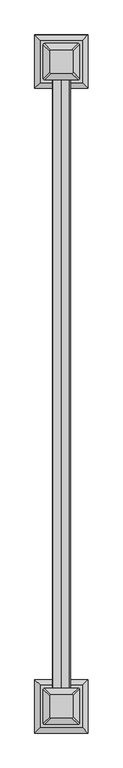
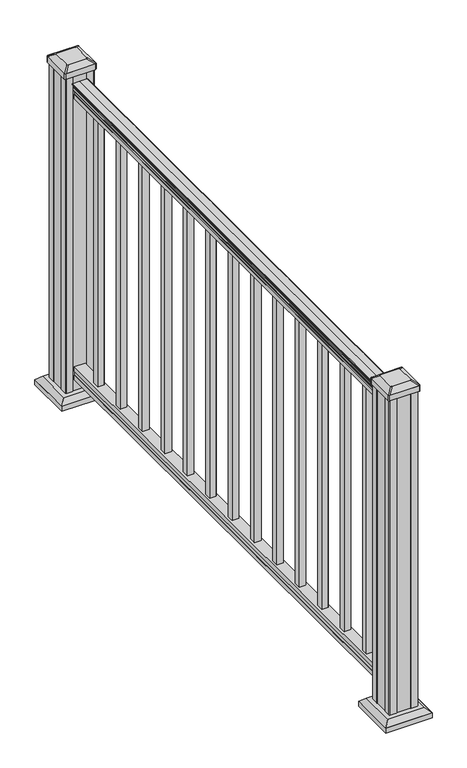
"""IFC4 building model written with IfcOpenShell, lengths in millimetres: railing geometry."""

from ifc_helpers import new_model, si_unit, point, frame, frame_2d, origin, origin_with_axes, place, context, project, spatial, polyline, circle_curve, trimmed, segment, composite_curve, outline, extrude, faceted_brep, source, transform, mapped, element, save
from ifc_brep_helpers import plane_surface, extruded_surface, advanced_brep


def railing_86240491(model_context):
    return source(origin(), model_context, "Body", "SolidModel", [
        extrude(outline(composite_curve([segment(trimmed(circle_curve(frame_2d((938.4043297, -875.5572176)), 1.2869144), [point((938.4043297, -876.8441319))], [point((938.4043297, -874.2703032))], False, "CARTESIAN"), True, "CONTINUOUS"), segment(polyline([(938.4043297, -874.2703032), (927.747013, -874.2703032), (926.731013, -875.2863032), (914.4, -875.2863032), (914.4, -843.5363032), (926.8888283, -843.5363032), (927.9048283, -844.5523032), (938.4043297, -844.5523032)]), True, "CONTINUOUS"), segment(trimmed(circle_curve(frame_2d((938.4043297, -843.2653888)), 1.2869144), [point((938.4043297, -844.5523032))], [point((938.4043297, -841.9784745))], False, "CARTESIAN"), True, "CONTINUOUS"), segment(polyline([(938.4043297, -841.9784745), (940.292412, -841.9784745)]), True, "CONTINUOUS"), segment(trimmed(circle_curve(frame_2d((946.0506383, -848.2932277)), 8.545951), [point((940.292412, -841.9784745))], [point((941.8546695, -840.8482882))], False, "CARTESIAN"), True, "CONTINUOUS"), segment(trimmed(circle_curve(frame_2d((945.4636577, -847.8561648)), 7.882584), [point((941.8546695, -840.8482882))], [point((949.0726458, -840.8482882))], False, "CARTESIAN"), True, "CONTINUOUS"), segment(trimmed(circle_curve(frame_2d((951.3112527, -837.3428406)), 4.1592695), [point((949.0726458, -840.8482882))], [point((951.5060812, -841.4975446))], True, "CARTESIAN"), True, "CONTINUOUS"), segment(trimmed(circle_curve(frame_2d((951.2508864, -836.0555341)), 5.4479907), [point((951.5060812, -841.4975446))], [point((955.8362083, -838.9975446))], True, "CARTESIAN"), True, "CONTINUOUS"), segment(trimmed(circle_curve(frame_2d((955.833395, -837.2886925)), 1.7088543), [point((955.8362083, -838.9975446))], [point((957.5157972, -837.5882021))], True, "CARTESIAN"), True, "CONTINUOUS"), segment(trimmed(circle_curve(frame_2d((958.6205318, -838.9055926)), 1.7192895), [point((957.5157972, -837.5882021))], [point((958.6205318, -837.1863031))], False, "CARTESIAN"), True, "CONTINUOUS"), segment(polyline([(958.6205318, -837.1863031), (959.9608158, -837.1863032)]), True, "CONTINUOUS"), segment(trimmed(circle_curve(frame_2d((959.9608158, -838.7397504)), 1.5534472), [point((959.9608158, -837.1863032))], [point((961.514263, -838.7397504))], False, "CARTESIAN"), True, "CONTINUOUS"), segment(polyline([(961.514263, -838.7397504), (961.514263, -859.4113032), (961.514263, -880.082856)]), True, "CONTINUOUS"), segment(trimmed(circle_curve(frame_2d((959.9608158, -880.082856)), 1.5534472), [point((961.514263, -880.082856))], [point((959.9608158, -881.6363032))], False, "CARTESIAN"), True, "CONTINUOUS"), segment(polyline([(959.9608158, -881.6363032), (958.6205318, -881.6363032)]), True, "CONTINUOUS"), segment(trimmed(circle_curve(frame_2d((958.6205318, -879.9170138)), 1.7192895), [point((958.6205318, -881.6363032))], [point((957.5157972, -881.2344043))], False, "CARTESIAN"), True, "CONTINUOUS"), segment(trimmed(circle_curve(frame_2d((955.833395, -881.5339139)), 1.7088543), [point((957.5157972, -881.2344043))], [point((955.8362083, -879.8250618))], True, "CARTESIAN"), True, "CONTINUOUS"), segment(trimmed(circle_curve(frame_2d((951.2508864, -882.7670723)), 5.4479907), [point((955.8362083, -879.8250618))], [point((951.5060812, -877.3250618))], True, "CARTESIAN"), True, "CONTINUOUS"), segment(trimmed(circle_curve(frame_2d((951.3112527, -881.4797657)), 4.1592695), [point((951.5060812, -877.3250618))], [point((949.0726458, -877.9743182))], True, "CARTESIAN"), True, "CONTINUOUS"), segment(trimmed(circle_curve(frame_2d((945.4636577, -870.9664416)), 7.882584), [point((949.0726458, -877.9743182))], [point((941.8546695, -877.9743182))], False, "CARTESIAN"), True, "CONTINUOUS"), segment(trimmed(circle_curve(frame_2d((946.0506383, -870.5293786)), 8.545951), [point((941.8546695, -877.9743182))], [point((940.292412, -876.8441319))], False, "CARTESIAN"), True, "CONTINUOUS"), segment(polyline([(940.292412, -876.8441319), (938.4043297, -876.8441319)]), True, "CONTINUOUS")], self_intersect=False)), frame((0.0, 2449.1647067, 0.0), z_axis=(0.0, 1.0, 0.0), x_axis=(0.0, 0.0, 1.0)), (0.0, 0.0, 1.0), 1524.0),
        extrude(outline(polyline([(76.0541976, -875.3237901), (63.5, -875.3237901), (63.5, -843.5737901), (76.0375508, -843.5737901), (77.3858283, -844.5897901), (87.6975248, -844.5897901), (89.0458024, -843.5737901), (101.5958781, -843.5737901), (101.5958781, -875.3237901), (89.0624492, -875.3237901), (87.7141717, -874.3077901), (77.3546183, -874.3077901), (76.0541976, -875.3237901)])), frame((0.0, 2449.1647067, 0.0), z_axis=(0.0, 1.0, 0.0), x_axis=(0.0, 0.0, 1.0)), (0.0, 0.0, 1.0), 1524.0),
        extrude(outline(polyline([(-868.9363032, 3868.5881442), (-868.9363032, 3887.6381442), (-849.8863032, 3887.6381442), (-849.8863032, 3868.5881442), (-868.9363032, 3868.5881442)]), holes=[polyline([(-868.5394282, 3868.9850192), (-850.2831782, 3868.9850192), (-850.2831782, 3887.2412692), (-868.5394282, 3887.2412692), (-868.5394282, 3868.9850192)])]), frame((0.0, 0.0, 101.5958781), z_axis=(0.0, 0.0, 1.0), x_axis=(1.0, 0.0, 0.0)), (0.0, 0.0, 1.0), 812.8041219),
        extrude(outline(polyline([(-868.9363032, 3757.4631442), (-868.9363032, 3776.5131442), (-849.8863032, 3776.5131442), (-849.8863032, 3757.4631442), (-868.9363032, 3757.4631442)]), holes=[polyline([(-868.5394282, 3757.8600192), (-850.2831782, 3757.8600192), (-850.2831782, 3776.1162692), (-868.5394282, 3776.1162692), (-868.5394282, 3757.8600192)])]), frame((0.0, 0.0, 101.5958781), z_axis=(0.0, 0.0, 1.0), x_axis=(1.0, 0.0, 0.0)), (0.0, 0.0, 1.0), 812.8041219),
        extrude(outline(polyline([(-868.9363032, 3646.3381442), (-868.9363032, 3665.3881442), (-849.8863032, 3665.3881442), (-849.8863032, 3646.3381442), (-868.9363032, 3646.3381442)]), holes=[polyline([(-868.5394282, 3646.7350192), (-850.2831782, 3646.7350192), (-850.2831782, 3664.9912692), (-868.5394282, 3664.9912692), (-868.5394282, 3646.7350192)])]), frame((0.0, 0.0, 101.5958781), z_axis=(0.0, 0.0, 1.0), x_axis=(1.0, 0.0, 0.0)), (0.0, 0.0, 1.0), 812.8041219),
        extrude(outline(polyline([(-868.9363032, 3535.2131442), (-868.9363032, 3554.2631442), (-849.8863032, 3554.2631442), (-849.8863032, 3535.2131442), (-868.9363032, 3535.2131442)]), holes=[polyline([(-868.5394282, 3535.6100192), (-850.2831782, 3535.6100192), (-850.2831782, 3553.8662692), (-868.5394282, 3553.8662692), (-868.5394282, 3535.6100192)])]), frame((0.0, 0.0, 101.5958781), z_axis=(0.0, 0.0, 1.0), x_axis=(1.0, 0.0, 0.0)), (0.0, 0.0, 1.0), 812.8041219),
        extrude(outline(polyline([(-868.9363032, 3424.0881442), (-868.9363032, 3443.1381442), (-849.8863032, 3443.1381442), (-849.8863032, 3424.0881442), (-868.9363032, 3424.0881442)]), holes=[polyline([(-868.5394282, 3424.4850192), (-850.2831782, 3424.4850192), (-850.2831782, 3442.7412692), (-868.5394282, 3442.7412692), (-868.5394282, 3424.4850192)])]), frame((0.0, 0.0, 101.5958781), z_axis=(0.0, 0.0, 1.0), x_axis=(1.0, 0.0, 0.0)), (0.0, 0.0, 1.0), 812.8041219),
        extrude(outline(polyline([(-868.9363032, 3312.9631442), (-868.9363032, 3332.0131442), (-849.8863032, 3332.0131442), (-849.8863032, 3312.9631442), (-868.9363032, 3312.9631442)]), holes=[polyline([(-868.5394282, 3313.3600192), (-850.2831782, 3313.3600192), (-850.2831782, 3331.6162692), (-868.5394282, 3331.6162692), (-868.5394282, 3313.3600192)])]), frame((0.0, 0.0, 101.5958781), z_axis=(0.0, 0.0, 1.0), x_axis=(1.0, 0.0, 0.0)), (0.0, 0.0, 1.0), 812.8041219),
        extrude(outline(polyline([(-868.9363032, 3201.8381442), (-868.9363032, 3220.8881442), (-849.8863032, 3220.8881442), (-849.8863032, 3201.8381442), (-868.9363032, 3201.8381442)]), holes=[polyline([(-868.5394282, 3202.2350192), (-850.2831782, 3202.2350192), (-850.2831782, 3220.4912692), (-868.5394282, 3220.4912692), (-868.5394282, 3202.2350192)])]), frame((0.0, 0.0, 101.5958781), z_axis=(0.0, 0.0, 1.0), x_axis=(1.0, 0.0, 0.0)), (0.0, 0.0, 1.0), 812.8041219),
        extrude(outline(polyline([(-868.9363032, 3090.7131442), (-868.9363032, 3109.7631442), (-849.8863032, 3109.7631442), (-849.8863032, 3090.7131442), (-868.9363032, 3090.7131442)]), holes=[polyline([(-868.5394282, 3091.1100192), (-850.2831782, 3091.1100192), (-850.2831782, 3109.3662692), (-868.5394282, 3109.3662692), (-868.5394282, 3091.1100192)])]), frame((0.0, 0.0, 101.5958781), z_axis=(0.0, 0.0, 1.0), x_axis=(1.0, 0.0, 0.0)), (0.0, 0.0, 1.0), 812.8041219),
        extrude(outline(polyline([(-868.9363032, 2979.5881442), (-868.9363032, 2998.6381442), (-849.8863032, 2998.6381442), (-849.8863032, 2979.5881442), (-868.9363032, 2979.5881442)]), holes=[polyline([(-868.5394282, 2979.9850192), (-850.2831782, 2979.9850192), (-850.2831782, 2998.2412692), (-868.5394282, 2998.2412692), (-868.5394282, 2979.9850192)])]), frame((0.0, 0.0, 101.5958781), z_axis=(0.0, 0.0, 1.0), x_axis=(1.0, 0.0, 0.0)), (0.0, 0.0, 1.0), 812.8041219),
        extrude(outline(polyline([(-868.9363032, 2868.4631442), (-868.9363032, 2887.5131442), (-849.8863032, 2887.5131442), (-849.8863032, 2868.4631442), (-868.9363032, 2868.4631442)]), holes=[polyline([(-868.5394282, 2868.8600192), (-850.2831782, 2868.8600192), (-850.2831782, 2887.1162692), (-868.5394282, 2887.1162692), (-868.5394282, 2868.8600192)])]), frame((0.0, 0.0, 101.5958781), z_axis=(0.0, 0.0, 1.0), x_axis=(1.0, 0.0, 0.0)), (0.0, 0.0, 1.0), 812.8041219),
        extrude(outline(polyline([(-868.9363032, 2757.3381442), (-868.9363032, 2776.3881442), (-849.8863032, 2776.3881442), (-849.8863032, 2757.3381442), (-868.9363032, 2757.3381442)]), holes=[polyline([(-868.5394282, 2757.7350192), (-850.2831782, 2757.7350192), (-850.2831782, 2775.9912692), (-868.5394282, 2775.9912692), (-868.5394282, 2757.7350192)])]), frame((0.0, 0.0, 101.5958781), z_axis=(0.0, 0.0, 1.0), x_axis=(1.0, 0.0, 0.0)), (0.0, 0.0, 1.0), 812.8041219),
        extrude(outline(polyline([(-868.9363032, 2646.2131442), (-868.9363032, 2665.2631442), (-849.8863032, 2665.2631442), (-849.8863032, 2646.2131442), (-868.9363032, 2646.2131442)]), holes=[polyline([(-868.5394282, 2646.6100192), (-850.2831782, 2646.6100192), (-850.2831782, 2664.8662692), (-868.5394282, 2664.8662692), (-868.5394282, 2646.6100192)])]), frame((0.0, 0.0, 101.5958781), z_axis=(0.0, 0.0, 1.0), x_axis=(1.0, 0.0, 0.0)), (0.0, 0.0, 1.0), 812.8041219),
        extrude(outline(polyline([(-868.9363032, 2535.0881442), (-868.9363032, 2554.1381442), (-849.8863032, 2554.1381442), (-849.8863032, 2535.0881442), (-868.9363032, 2535.0881442)]), holes=[polyline([(-868.5394282, 2535.4850192), (-850.2831782, 2535.4850192), (-850.2831782, 2553.7412692), (-868.5394282, 2553.7412692), (-868.5394282, 2535.4850192)])]), frame((0.0, 0.0, 101.5958781), z_axis=(0.0, 0.0, 1.0), x_axis=(1.0, 0.0, 0.0)), (0.0, 0.0, 1.0), 812.8041219),
        faceted_brep([(-911.9972407, 3961.8537692, 28.575), (-806.8253657, 3961.8537692, 28.575), (-806.8253657, 4067.0256442, 28.575), (-911.9972407, 4067.0256442, 28.575), (-926.0366938, 3947.8143161, 15.24), (-926.0366938, 4081.0650974, 15.24), (-792.7859126, 4081.0650974, 15.24), (-792.7859126, 3947.8143161, 15.24)], [[[0, 1, 2, 3]], [[4, 5, 6, 7]], [[4, 7, 1, 0]], [[7, 6, 2, 1]], [[6, 5, 3, 2]], [[5, 4, 0, 3]]]),
        extrude(outline(polyline([(-926.0366938, 3947.8143161), (-926.0366938, 4081.0650974), (-792.7859126, 4081.0650974), (-792.7859126, 3947.8143161), (-926.0366938, 3947.8143161)])), origin_with_axes(), (0.0, 0.0, 1.0), 15.24),
        advanced_brep(
        [(-833.6144282, 3985.4678317, 1012.825), (-830.4394282, 3988.6428317, 1012.825), (-830.4394282, 4040.2365817, 1012.825), (-833.6144282, 4043.4115817, 1012.825), (-885.2081782, 4043.4115817, 1012.825), (-888.3831782, 4040.2365817, 1012.825), (-888.3831782, 3988.6428317, 1012.825), (-885.2081782, 3985.4678317, 1012.825), (-817.3425532, 3969.1959567, 1001.522), (-901.4800532, 3969.1959567, 1001.522), (-904.6550532, 3972.3709567, 1001.522), (-904.6550532, 4056.5084567, 1001.522), (-901.4800532, 4059.6834567, 1001.522), (-817.3425532, 4059.6834567, 1001.522), (-814.1675532, 4056.5084567, 1001.522), (-814.1675532, 3972.3709567, 1001.522)],
        [
            (0, 1, circle_curve(frame((-833.6144282, 3988.6428317, 1012.825), z_axis=(0.0, 0.0, 1.0), x_axis=(0.0, 1.0, 0.0)), 3.175)),
            (1, 2),
            (2, 3, circle_curve(frame((-833.6144282, 4040.2365817, 1012.825), z_axis=(0.0, 0.0, 1.0), x_axis=(0.0, 1.0, 0.0)), 3.175)),
            (3, 4),
            (4, 5, circle_curve(frame((-885.2081782, 4040.2365817, 1012.825), z_axis=(0.0, 0.0, 1.0), x_axis=(0.0, 1.0, 0.0)), 3.175)),
            (5, 6),
            (6, 7, circle_curve(frame((-885.2081782, 3988.6428317, 1012.825), z_axis=(0.0, 0.0, 1.0), x_axis=(0.0, 1.0, 0.0)), 3.175)),
            (7, 0),
            (8, 9),
            (9, 10, circle_curve(frame((-901.4800532, 3972.3709567, 1001.522), z_axis=(0.0, 0.0, -1.0), x_axis=(0.0, 1.0, 0.0)), 3.175)),
            (10, 11),
            (11, 12, circle_curve(frame((-901.4800532, 4056.5084567, 1001.522), z_axis=(0.0, 0.0, -1.0), x_axis=(0.0, 1.0, 0.0)), 3.175)),
            (12, 13),
            (13, 14, circle_curve(frame((-817.3425532, 4056.5084567, 1001.522), z_axis=(0.0, 0.0, -1.0), x_axis=(0.0, 1.0, 0.0)), 3.175)),
            (14, 15),
            (15, 8, circle_curve(frame((-817.3425532, 3972.3709567, 1001.522), z_axis=(0.0, 0.0, -1.0), x_axis=(0.0, 1.0, 0.0)), 3.175)),
            (15, 1),
            (0, 8),
            (14, 2),
            (13, 3),
            (12, 4),
            (11, 5),
            (10, 6),
            (9, 7),
        ],
        [
            plane_surface(frame((-859.4113032, 4014.4397067, 1012.825), z_axis=(0.0, 0.0, 1.0), x_axis=(1.0, 0.0, 0.0))),
            plane_surface(frame((-859.4113032, 4014.4397067, 1001.522), z_axis=(0.0, 0.0, -1.0), x_axis=(1.0, 0.0, 0.0))),
            extruded_surface(trimmed(circle_curve(frame((-817.3425532, 3972.3709567, 1001.522), z_axis=(0.0, 0.0, 1.0), x_axis=(0.0, 1.0, 0.0)), 3.175), [point((-817.3425532, 3969.1959567, 1001.522))], [point((-814.1675532, 3972.3709567, 1001.522))], True, "CARTESIAN"), (-16.271875000000023, 16.27187499999991, 11.302999999999997), 25.637972638866117),
            plane_surface(frame((-814.1675532, 4014.4397067, 1001.522), z_axis=(0.5705009161540779, 0.0, 0.8212969649690408), x_axis=(0.0, 1.0, 0.0))),
            extruded_surface(trimmed(circle_curve(frame((-817.3425532, 4056.5084567, 1001.522), z_axis=(0.0, 0.0, 1.0), x_axis=(0.0, 1.0, 0.0)), 3.175), [point((-814.1675532, 4056.5084567, 1001.522))], [point((-817.3425532, 4059.6834567, 1001.522))], True, "CARTESIAN"), (-16.271875000000023, -16.27187499999991, 11.302999999999997), 25.637972638866117),
            plane_surface(frame((-859.4113032, 4059.6834567, 1001.522), z_axis=(0.0, 0.5705009161540291, 0.8212969649690747), x_axis=(-1.0, 0.0, 0.0))),
            extruded_surface(trimmed(circle_curve(frame((-901.4800532, 4056.5084567, 1001.522), z_axis=(0.0, 0.0, 1.0), x_axis=(0.0, 1.0, 0.0)), 3.175), [point((-901.4800532, 4059.6834567, 1001.522))], [point((-904.6550532, 4056.5084567, 1001.522))], True, "CARTESIAN"), (16.271875000000023, -16.27187499999991, 11.302999999999997), 25.637972638866117),
            plane_surface(frame((-904.6550532, 4014.4397067, 1001.522), z_axis=(-0.5705009161540141, 0.0, 0.8212969649690851), x_axis=(0.0, -1.0, 0.0))),
            extruded_surface(trimmed(circle_curve(frame((-901.4800532, 3972.3709567, 1001.522), z_axis=(0.0, 0.0, 1.0), x_axis=(0.0, 1.0, 0.0)), 3.175), [point((-904.6550532, 3972.3709567, 1001.522))], [point((-901.4800532, 3969.1959567, 1001.522))], True, "CARTESIAN"), (16.271875000000023, 16.27187499999991, 11.302999999999997), 25.637972638866117),
            plane_surface(frame((-859.4113032, 3969.1959567, 1001.522), z_axis=(0.0, -0.570500916154034, 0.8212969649690713), x_axis=(1.0, 0.0, 0.0))),
        ],
        [
            (0, [[1, 2, 3, 4, 5, 6, 7, 8]]),
            (1, [[9, 10, 11, 12, 13, 14, 15, 16]]),
            (2, [[-16, 17, -1, 18]]),
            (3, [[-15, 19, -2, -17]]),
            (4, [[-14, 20, -3, -19]]),
            (5, [[-13, 21, -4, -20]]),
            (6, [[-12, 22, -5, -21]]),
            (7, [[-11, 23, -6, -22]]),
            (8, [[-10, 24, -7, -23]]),
            (9, [[-9, -18, -8, -24]]),
        ],
    ),
        extrude(outline(composite_curve([segment(polyline([(-817.3425532, 3969.1959567), (-901.4800532, 3969.1959567)]), True, "CONTINUOUS"), segment(trimmed(circle_curve(frame_2d((-901.4800532, 3972.3709567)), 3.175), [point((-901.4800532, 3969.1959567))], [point((-904.6550532, 3972.3709567))], False, "CARTESIAN"), True, "CONTINUOUS"), segment(polyline([(-904.6550532, 3972.3709567), (-904.6550532, 4056.5084567)]), True, "CONTINUOUS"), segment(trimmed(circle_curve(frame_2d((-901.4800532, 4056.5084567)), 3.175), [point((-904.6550532, 4056.5084567))], [point((-901.4800532, 4059.6834567))], False, "CARTESIAN"), True, "CONTINUOUS"), segment(polyline([(-901.4800532, 4059.6834567), (-817.3425532, 4059.6834567)]), True, "CONTINUOUS"), segment(trimmed(circle_curve(frame_2d((-817.3425532, 4056.5084567)), 3.175), [point((-817.3425532, 4059.6834567))], [point((-814.1675532, 4056.5084567))], False, "CARTESIAN"), True, "CONTINUOUS"), segment(polyline([(-814.1675532, 4056.5084567), (-814.1675532, 3972.3709567)]), True, "CONTINUOUS"), segment(trimmed(circle_curve(frame_2d((-817.3425532, 3972.3709567)), 3.175), [point((-814.1675532, 3972.3709567))], [point((-817.3425532, 3969.1959567))], False, "CARTESIAN"), True, "CONTINUOUS")], self_intersect=False)), frame((0.0, 0.0, 984.25), z_axis=(0.0, 0.0, 1.0), x_axis=(1.0, 0.0, 0.0)), (0.0, 0.0, 1.0), 17.272),
        extrude(outline(polyline([(-819.7238032, 3973.1647067), (-839.3453032, 3973.1647067), (-840.1073032, 3974.7522067), (-878.7153032, 3974.7522067), (-879.4773032, 3973.1647067), (-899.0988032, 3973.1647067), (-900.6863032, 3974.7522067), (-900.6863032, 3994.3737067), (-899.0988032, 3995.1357067), (-899.0988032, 4033.7437067), (-900.6863032, 4034.5057067), (-900.6863032, 4054.1272067), (-899.0988032, 4055.7147067), (-879.4773032, 4055.7147067), (-878.7153032, 4054.1272067), (-840.1073032, 4054.1272067), (-839.3453032, 4055.7147067), (-819.7238032, 4055.7147067), (-818.1363032, 4054.1272067), (-818.1363032, 4034.5057067), (-819.7238032, 4033.7437067), (-819.7238032, 3995.1357067), (-818.1363032, 3994.3737067), (-818.1363032, 3974.7522067), (-819.7238032, 3973.1647067)])), origin_with_axes(), (0.0, 0.0, 1.0), 984.25),
        faceted_brep([(-911.9972407, 2355.3037692, 28.575), (-806.8253657, 2355.3037692, 28.575), (-806.8253657, 2460.4756442, 28.575), (-911.9972407, 2460.4756442, 28.575), (-926.0366938, 2341.2643161, 15.24), (-926.0366938, 2474.5150974, 15.24), (-792.7859126, 2474.5150974, 15.24), (-792.7859126, 2341.2643161, 15.24)], [[[0, 1, 2, 3]], [[4, 5, 6, 7]], [[4, 7, 1, 0]], [[7, 6, 2, 1]], [[6, 5, 3, 2]], [[5, 4, 0, 3]]]),
        extrude(outline(polyline([(-926.0366938, 2341.2643161), (-926.0366938, 2474.5150974), (-792.7859126, 2474.5150974), (-792.7859126, 2341.2643161), (-926.0366938, 2341.2643161)])), origin_with_axes(), (0.0, 0.0, 1.0), 15.24),
        advanced_brep(
        [(-833.6144282, 2378.9178317, 1012.825), (-830.4394282, 2382.0928317, 1012.825), (-830.4394282, 2433.6865817, 1012.825), (-833.6144282, 2436.8615817, 1012.825), (-885.2081782, 2436.8615817, 1012.825), (-888.3831782, 2433.6865817, 1012.825), (-888.3831782, 2382.0928317, 1012.825), (-885.2081782, 2378.9178317, 1012.825), (-817.3425532, 2362.6459567, 1001.522), (-901.4800532, 2362.6459567, 1001.522), (-904.6550532, 2365.8209567, 1001.522), (-904.6550532, 2449.9584567, 1001.522), (-901.4800532, 2453.1334567, 1001.522), (-817.3425532, 2453.1334567, 1001.522), (-814.1675532, 2449.9584567, 1001.522), (-814.1675532, 2365.8209567, 1001.522)],
        [
            (0, 1, circle_curve(frame((-833.6144282, 2382.0928317, 1012.825), z_axis=(0.0, 0.0, 1.0), x_axis=(0.0, 1.0, 0.0)), 3.175)),
            (1, 2),
            (2, 3, circle_curve(frame((-833.6144282, 2433.6865817, 1012.825), z_axis=(0.0, 0.0, 1.0), x_axis=(0.0, 1.0, 0.0)), 3.175)),
            (3, 4),
            (4, 5, circle_curve(frame((-885.2081782, 2433.6865817, 1012.825), z_axis=(0.0, 0.0, 1.0), x_axis=(0.0, 1.0, 0.0)), 3.175)),
            (5, 6),
            (6, 7, circle_curve(frame((-885.2081782, 2382.0928317, 1012.825), z_axis=(0.0, 0.0, 1.0), x_axis=(0.0, 1.0, 0.0)), 3.175)),
            (7, 0),
            (8, 9),
            (9, 10, circle_curve(frame((-901.4800532, 2365.8209567, 1001.522), z_axis=(0.0, 0.0, -1.0), x_axis=(0.0, 1.0, 0.0)), 3.175)),
            (10, 11),
            (11, 12, circle_curve(frame((-901.4800532, 2449.9584567, 1001.522), z_axis=(0.0, 0.0, -1.0), x_axis=(0.0, 1.0, 0.0)), 3.175)),
            (12, 13),
            (13, 14, circle_curve(frame((-817.3425532, 2449.9584567, 1001.522), z_axis=(0.0, 0.0, -1.0), x_axis=(0.0, 1.0, 0.0)), 3.175)),
            (14, 15),
            (15, 8, circle_curve(frame((-817.3425532, 2365.8209567, 1001.522), z_axis=(0.0, 0.0, -1.0), x_axis=(0.0, 1.0, 0.0)), 3.175)),
            (15, 1),
            (0, 8),
            (14, 2),
            (13, 3),
            (12, 4),
            (11, 5),
            (10, 6),
            (9, 7),
        ],
        [
            plane_surface(frame((-859.4113032, 2407.8897067, 1012.825), z_axis=(0.0, 0.0, 1.0), x_axis=(1.0, 0.0, 0.0))),
            plane_surface(frame((-859.4113032, 2407.8897067, 1001.522), z_axis=(0.0, 0.0, -1.0), x_axis=(1.0, 0.0, 0.0))),
            extruded_surface(trimmed(circle_curve(frame((-817.3425532, 2365.8209567, 1001.522), z_axis=(0.0, 0.0, 1.0), x_axis=(0.0, 1.0, 0.0)), 3.175), [point((-817.3425532, 2362.6459567, 1001.522))], [point((-814.1675532, 2365.8209567, 1001.522))], True, "CARTESIAN"), (-16.271875000000023, 16.27187499999991, 11.302999999999997), 25.637972638866117),
            plane_surface(frame((-814.1675532, 2407.8897067, 1001.522), z_axis=(0.5705009161540779, 0.0, 0.8212969649690408), x_axis=(0.0, 1.0, 0.0))),
            extruded_surface(trimmed(circle_curve(frame((-817.3425532, 2449.9584567, 1001.522), z_axis=(0.0, 0.0, 1.0), x_axis=(0.0, 1.0, 0.0)), 3.175), [point((-814.1675532, 2449.9584567, 1001.522))], [point((-817.3425532, 2453.1334567, 1001.522))], True, "CARTESIAN"), (-16.271875000000023, -16.271875000000364, 11.302999999999997), 25.637972638866405),
            plane_surface(frame((-859.4113032, 2453.1334567, 1001.522), z_axis=(0.0, 0.5705009161540291, 0.8212969649690747), x_axis=(-1.0, 0.0, 0.0))),
            extruded_surface(trimmed(circle_curve(frame((-901.4800532, 2449.9584567, 1001.522), z_axis=(0.0, 0.0, 1.0), x_axis=(0.0, 1.0, 0.0)), 3.175), [point((-901.4800532, 2453.1334567, 1001.522))], [point((-904.6550532, 2449.9584567, 1001.522))], True, "CARTESIAN"), (16.271875000000023, -16.271875000000364, 11.302999999999997), 25.637972638866405),
            plane_surface(frame((-904.6550532, 2407.8897067, 1001.522), z_axis=(-0.5705009161540141, 0.0, 0.8212969649690851), x_axis=(0.0, -1.0, 0.0))),
            extruded_surface(trimmed(circle_curve(frame((-901.4800532, 2365.8209567, 1001.522), z_axis=(0.0, 0.0, 1.0), x_axis=(0.0, 1.0, 0.0)), 3.175), [point((-904.6550532, 2365.8209567, 1001.522))], [point((-901.4800532, 2362.6459567, 1001.522))], True, "CARTESIAN"), (16.271875000000023, 16.27187499999991, 11.302999999999997), 25.637972638866117),
            plane_surface(frame((-859.4113032, 2362.6459567, 1001.522), z_axis=(0.0, -0.570500916154034, 0.8212969649690713), x_axis=(1.0, 0.0, 0.0))),
        ],
        [
            (0, [[1, 2, 3, 4, 5, 6, 7, 8]]),
            (1, [[9, 10, 11, 12, 13, 14, 15, 16]]),
            (2, [[-16, 17, -1, 18]]),
            (3, [[-15, 19, -2, -17]]),
            (4, [[-14, 20, -3, -19]]),
            (5, [[-13, 21, -4, -20]]),
            (6, [[-12, 22, -5, -21]]),
            (7, [[-11, 23, -6, -22]]),
            (8, [[-10, 24, -7, -23]]),
            (9, [[-9, -18, -8, -24]]),
        ],
    ),
        extrude(outline(composite_curve([segment(polyline([(-817.3425532, 2362.6459567), (-901.4800532, 2362.6459567)]), True, "CONTINUOUS"), segment(trimmed(circle_curve(frame_2d((-901.4800532, 2365.8209567)), 3.175), [point((-901.4800532, 2362.6459567))], [point((-904.6550532, 2365.8209567))], False, "CARTESIAN"), True, "CONTINUOUS"), segment(polyline([(-904.6550532, 2365.8209567), (-904.6550532, 2449.9584567)]), True, "CONTINUOUS"), segment(trimmed(circle_curve(frame_2d((-901.4800532, 2449.9584567)), 3.175), [point((-904.6550532, 2449.9584567))], [point((-901.4800532, 2453.1334567))], False, "CARTESIAN"), True, "CONTINUOUS"), segment(polyline([(-901.4800532, 2453.1334567), (-817.3425532, 2453.1334567)]), True, "CONTINUOUS"), segment(trimmed(circle_curve(frame_2d((-817.3425532, 2449.9584567)), 3.175), [point((-817.3425532, 2453.1334567))], [point((-814.1675532, 2449.9584567))], False, "CARTESIAN"), True, "CONTINUOUS"), segment(polyline([(-814.1675532, 2449.9584567), (-814.1675532, 2365.8209567)]), True, "CONTINUOUS"), segment(trimmed(circle_curve(frame_2d((-817.3425532, 2365.8209567)), 3.175), [point((-814.1675532, 2365.8209567))], [point((-817.3425532, 2362.6459567))], False, "CARTESIAN"), True, "CONTINUOUS")], self_intersect=False)), frame((0.0, 0.0, 984.25), z_axis=(0.0, 0.0, 1.0), x_axis=(1.0, 0.0, 0.0)), (0.0, 0.0, 1.0), 17.272),
        extrude(outline(polyline([(-819.7238032, 2366.6147067), (-839.3453032, 2366.6147067), (-840.1073032, 2368.2022067), (-878.7153032, 2368.2022067), (-879.4773032, 2366.6147067), (-899.0988032, 2366.6147067), (-900.6863032, 2368.2022067), (-900.6863032, 2387.8237067), (-899.0988032, 2388.5857067), (-899.0988032, 2427.1937067), (-900.6863032, 2427.9557067), (-900.6863032, 2447.5772067), (-899.0988032, 2449.1647067), (-879.4773032, 2449.1647067), (-878.7153032, 2447.5772067), (-840.1073032, 2447.5772067), (-839.3453032, 2449.1647067), (-819.7238032, 2449.1647067), (-818.1363032, 2447.5772067), (-818.1363032, 2427.9557067), (-819.7238032, 2427.1937067), (-819.7238032, 2388.5857067), (-818.1363032, 2387.8237067), (-818.1363032, 2368.2022067), (-819.7238032, 2366.6147067)])), origin_with_axes(), (0.0, 0.0, 1.0), 984.25),
    ])


if __name__ == "__main__":
    model = new_model("IFC4")
    model_context = context("Model", 3, world=origin())
    ifc_project = project(units=[si_unit("LENGTHUNIT", "METRE", prefix="MILLI")], contexts=[model_context])
    site = spatial("IfcSite", under=ifc_project)
    building = spatial("IfcBuilding", under=site)
    placement = place(None, origin())
    railing_shape = railing_86240491(model_context)
    element("IfcRailing", 1, at=placement, inside=building, context=model_context, shape_type="MappedRepresentation", body=[
        mapped(railing_shape, transform((0.0, 0.0, 0.0), x_axis=(1.0, 0.0, 0.0), y_axis=(0.0, 1.0, 0.0), z_axis=(0.0, 0.0, 1.0))),
    ])
    save(model, "model.ifc")
